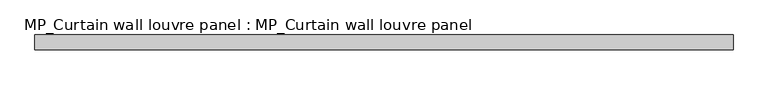
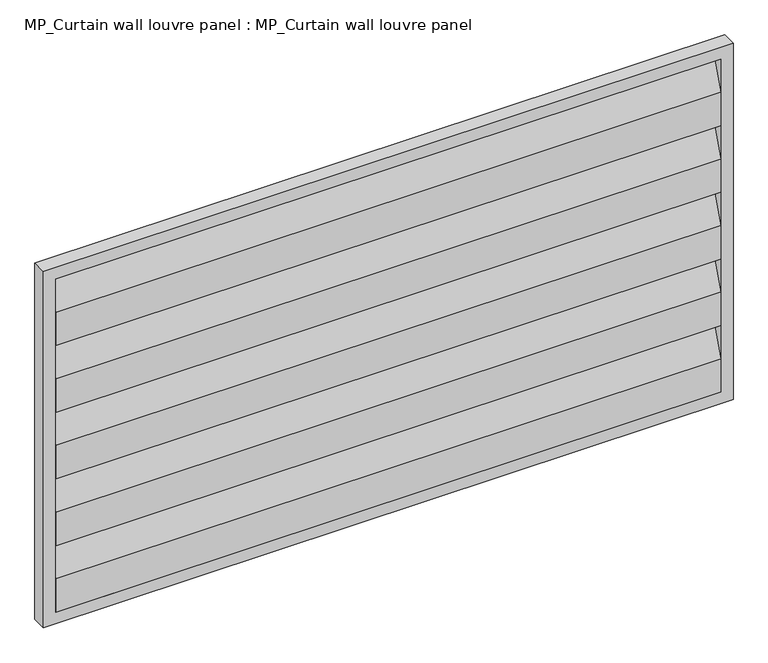
"""IFC4 building model written with IfcOpenShell, lengths in millimetres: plate geometry, MP_Curtain wall louvre panel : MP_Curtain wall louvre panel."""

from ifc_helpers import new_model, si_unit, frame, origin, place, context, project, spatial, polyline, outline, extrude, source, transform, mapped, element, save


def mp_curtain_wall_louvre_panel_mp_curtain_wall_louvre_panel_037df7ed(model_context):
    return source(origin(), model_context, "Body", "SweptSolid", [
        extrude(outline(polyline([(30.0, 527.6238829), (58.0, 604.4272948), (58.0, 619.4272948), (60.0, 619.4272948), (60.0, 604.0740974), (32.0, 527.2706856), (32.0, 455.8204711), (30.0, 455.8204711), (30.0, 527.6238829)])), frame((-677.5, 0.0, 0.0), z_axis=(1.0, 0.0, 0.0), x_axis=(0.0, 1.0, 0.0)), (0.0, 0.0, 1.0), 1355.0),
        extrude(outline(polyline([(30.0, 384.0170592), (58.0, 460.8204711), (58.0, 475.8204711), (60.0, 475.8204711), (60.0, 460.4672737), (32.0, 383.6638619), (32.0, 312.2136474), (30.0, 312.2136474), (30.0, 384.0170592)])), frame((-677.5, 0.0, 0.0), z_axis=(1.0, 0.0, 0.0), x_axis=(0.0, 1.0, 0.0)), (0.0, 0.0, 1.0), 1355.0),
        extrude(outline(polyline([(30.0, 240.4102355), (58.0, 317.2136474), (58.0, 332.2136474), (60.0, 332.2136474), (60.0, 316.86045), (32.0, 240.0570382), (32.0, 168.6068237), (30.0, 168.6068237), (30.0, 240.4102355)])), frame((-677.5, 0.0, 0.0), z_axis=(1.0, 0.0, 0.0), x_axis=(0.0, 1.0, 0.0)), (0.0, 0.0, 1.0), 1355.0),
        extrude(outline(polyline([(30.0, 671.2307066), (58.0, 748.0341184), (58.0, 763.0341184), (60.0, 763.0341184), (60.0, 747.6809211), (32.0, 670.8775093), (32.0, 599.4272948), (30.0, 599.4272948), (30.0, 671.2307066)])), frame((-677.5, 0.0, 0.0), z_axis=(1.0, 0.0, 0.0), x_axis=(0.0, 1.0, 0.0)), (0.0, 0.0, 1.0), 1355.0),
        extrude(outline(polyline([(30.0, 96.8034118), (58.0, 173.6068237), (58.0, 188.6068237), (60.0, 188.6068237), (60.0, 173.2536263), (32.0, 96.4502145), (32.0, 25.0), (30.0, 25.0), (30.0, 96.8034118)])), frame((-677.5, 0.0, 0.0), z_axis=(1.0, 0.0, 0.0), x_axis=(0.0, 1.0, 0.0)), (0.0, 0.0, 1.0), 1355.0),
        extrude(outline(polyline([(768.0341184, -702.5), (0.0, -702.5), (0.0, 702.5), (768.0341184, 702.5), (768.0341184, -702.5)]), holes=[polyline([(743.0341184, -677.5), (743.0341184, 677.5), (25.0, 677.5), (25.0, -677.5), (743.0341184, -677.5)])]), frame((0.0, 30.0, 0.0), z_axis=(0.0, 1.0, 0.0), x_axis=(0.0, 0.0, 1.0)), (0.0, 0.0, 1.0), 30.0),
    ])


if __name__ == "__main__":
    model = new_model("IFC4")
    model_context = context("Model", 3, world=origin())
    ifc_project = project(units=[si_unit("LENGTHUNIT", "METRE", prefix="MILLI")], contexts=[model_context])
    site = spatial("IfcSite", under=ifc_project)
    building = spatial("IfcBuilding", under=site)
    placement = place(None, origin())
    mp_curtain_wall_louvre_panel_mp_curtain_wall_louvre_panel_shape = mp_curtain_wall_louvre_panel_mp_curtain_wall_louvre_panel_037df7ed(model_context)
    element("IfcPlate", 1, ObjectType="MP_Curtain wall louvre panel : MP_Curtain wall louvre panel", at=placement, inside=building, context=model_context, shape_type="MappedRepresentation", body=[
        mapped(mp_curtain_wall_louvre_panel_mp_curtain_wall_louvre_panel_shape, transform((0.0, 0.0, 0.0), x_axis=(1.0, 0.0, 0.0), y_axis=(0.0, 1.0, 0.0), z_axis=(0.0, 0.0, 1.0))),
    ])
    save(model, "model.ifc")
